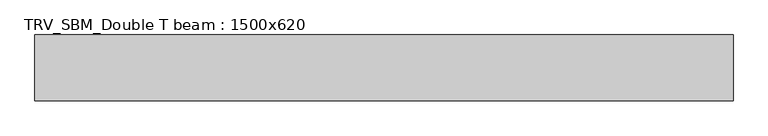
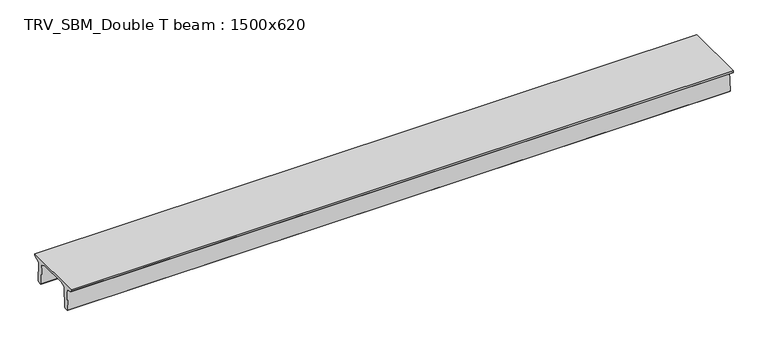
"""IFC4 building model written with IfcOpenShell, lengths in millimetres: beam geometry, TRV_SBM_Double T beam : 1500x620."""

from ifc_helpers import new_model, si_unit, frame, origin, place, context, project, spatial, polyline, outline, extrude, source, transform, mapped, element, save


def trv_sbm_double_t_beam_1500x620_f812d550(model_context):
    return source(origin(), model_context, "Body", "SweptSolid", [
        extrude(outline(polyline([(-765.0, 215.0), (-765.0, 260.0), (735.0, 260.0), (735.0, 215.0), (728.2094488, 201.315559), (578.0626443, 140.6523122), (594.8277662, -339.4379646), (574.2657308, -360.0), (484.2657308, -360.0), (464.786332, -340.5206011), (447.8600761, 144.18395), (338.3237744, 210.0), (-367.4555014, 210.0), (-476.5389732, 151.9992892), (-507.0080378, -339.3850967), (-527.622941, -360.0), (-615.122941, -360.0), (-637.1143055, -338.0086356), (-606.1572167, 162.687806), (-761.3068466, 204.260024), (-765.0, 215.0)])), frame((-7900.5, 0.0, 0.0), z_axis=(1.0, 0.0, 0.0), x_axis=(0.0, 1.0, 0.0)), (0.0, 0.0, 1.0), 15878.0),
    ])


if __name__ == "__main__":
    model = new_model("IFC4")
    model_context = context("Model", 3, world=origin())
    ifc_project = project(units=[si_unit("LENGTHUNIT", "METRE", prefix="MILLI")], contexts=[model_context])
    site = spatial("IfcSite", under=ifc_project)
    building = spatial("IfcBuilding", under=site)
    placement = place(None, origin())
    trv_sbm_double_t_beam_1500x620_shape = trv_sbm_double_t_beam_1500x620_f812d550(model_context)
    element("IfcBeam", 1, ObjectType="TRV_SBM_Double T beam : 1500x620", at=placement, inside=building, context=model_context, shape_type="MappedRepresentation", body=[
        mapped(trv_sbm_double_t_beam_1500x620_shape, transform((0.0, 0.0, 0.0), x_axis=(1.0, 0.0, 0.0), y_axis=(0.0, 1.0, 0.0), z_axis=(0.0, 0.0, 1.0))),
    ])
    save(model, "model.ifc")
